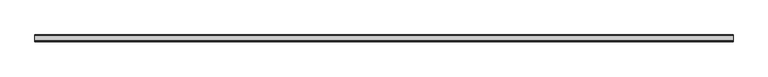
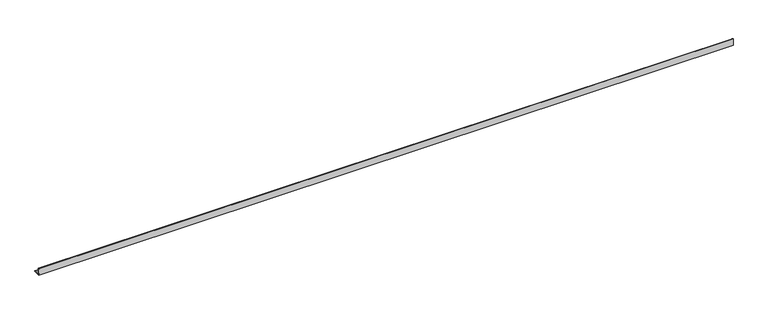
"""IFC4 building model written with IfcOpenShell, lengths in millimetres: beam geometry."""

from ifc_helpers import new_model, si_unit, point, frame, frame_2d, origin, place, context, project, spatial, polyline, circle_curve, trimmed, segment, composite_curve, outline, extrude, source, transform, mapped, element, save


def beam_606d4a8b(model_context):
    return source(origin(), model_context, "Body", "SweptSolid", [
        extrude(outline(composite_curve([segment(polyline([(-21.3, -21.3), (-21.3, 53.7), (-18.3, 53.7)]), True, "CONTINUOUS"), segment(trimmed(circle_curve(frame_2d((-18.3, 48.7)), 5.0), [point((-18.3, 53.7))], [point((-13.3, 48.7))], False, "CARTESIAN"), True, "CONTINUOUS"), segment(polyline([(-13.3, 48.7), (-13.3, -5.3)]), True, "CONTINUOUS"), segment(trimmed(circle_curve(frame_2d((-5.3, -5.3)), 8.0), [point((-13.3, -5.3))], [point((-5.3, -13.3))], True, "CARTESIAN"), True, "CONTINUOUS"), segment(polyline([(-5.3, -13.3), (48.7, -13.3)]), True, "CONTINUOUS"), segment(trimmed(circle_curve(frame_2d((48.7, -18.3)), 5.0), [point((48.7, -13.3))], [point((53.7, -18.3))], False, "CARTESIAN"), True, "CONTINUOUS"), segment(polyline([(53.7, -18.3), (53.7, -21.3), (-21.3, -21.3)]), True, "CONTINUOUS")], self_intersect=False)), frame((-3884.5, 0.0, 0.0), z_axis=(1.0, 0.0, 0.0), x_axis=(0.0, 1.0, 0.0)), (0.0, 0.0, 1.0), 7781.0),
    ])


if __name__ == "__main__":
    model = new_model("IFC4")
    model_context = context("Model", 3, world=origin())
    ifc_project = project(units=[si_unit("LENGTHUNIT", "METRE", prefix="MILLI")], contexts=[model_context])
    site = spatial("IfcSite", under=ifc_project)
    building = spatial("IfcBuilding", under=site)
    placement = place(None, origin())
    beam_shape = beam_606d4a8b(model_context)
    element("IfcBeam", 1, at=placement, inside=building, context=model_context, shape_type="MappedRepresentation", body=[
        mapped(beam_shape, transform((0.0, 0.0, 0.0), x_axis=(1.0, 0.0, 0.0), y_axis=(0.0, 1.0, 0.0), z_axis=(0.0, 0.0, 1.0))),
    ])
    save(model, "model.ifc")
